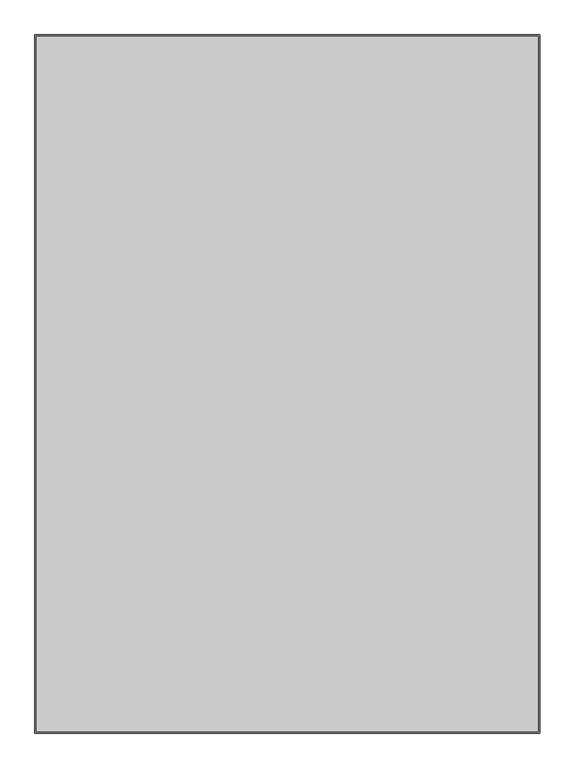
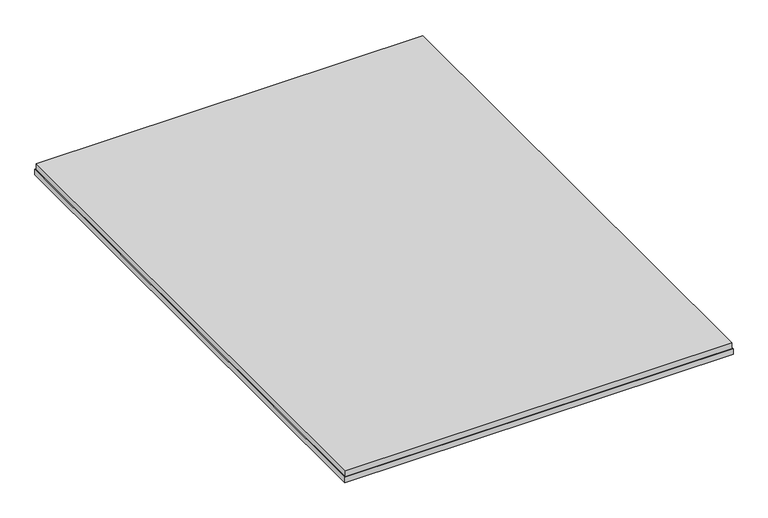
"""IFC4 building model written with IfcOpenShell, lengths in millimetres: proxy geometry."""

from ifc_helpers import new_model, si_unit, frame, origin, place, context, project, spatial, polyline, outline, extrude, source, transform, mapped, element, save


def generic_models_03fbb98e(model_context):
    return source(origin(), model_context, "Body", "SweptSolid", [
        extrude(outline(polyline([(1728.5, -69.0), (1728.5, -2367.4), (69.0, -2367.4), (69.0, -69.0), (1728.5, -69.0)])), frame((0.0, 0.0, -43.0), z_axis=(0.0, 0.0, 1.0), x_axis=(1.0, 0.0, 0.0)), (0.0, 0.0, 1.0), 27.0),
        extrude(outline(polyline([(65.0, -65.0), (1732.5, -65.0), (1732.5, -2371.4), (65.0, -2371.4), (65.0, -65.0)]), holes=[polyline([(1714.5, -83.0), (83.0, -83.0), (83.0, -2353.4), (1714.5, -2353.4), (1714.5, -83.0)])]), frame((0.0, 0.0, -68.0), z_axis=(0.0, 0.0, 1.0), x_axis=(1.0, 0.0, 0.0)), (0.0, 0.0, 1.0), 25.0),
    ])


if __name__ == "__main__":
    model = new_model("IFC4")
    model_context = context("Model", 3, world=origin())
    ifc_project = project(units=[si_unit("LENGTHUNIT", "METRE", prefix="MILLI")], contexts=[model_context])
    site = spatial("IfcSite", under=ifc_project)
    building = spatial("IfcBuilding", under=site)
    placement = place(None, origin())
    generic_models_shape = generic_models_03fbb98e(model_context)
    element("IfcBuildingElementProxy", 1, Name="Generic Models", at=placement, inside=building, context=model_context, shape_type="MappedRepresentation", body=[
        mapped(generic_models_shape, transform((0.0, 0.0, 0.0), x_axis=(1.0, 0.0, 0.0), y_axis=(0.0, 1.0, 0.0), z_axis=(0.0, 0.0, 1.0))),
    ])
    save(model, "model.ifc")
